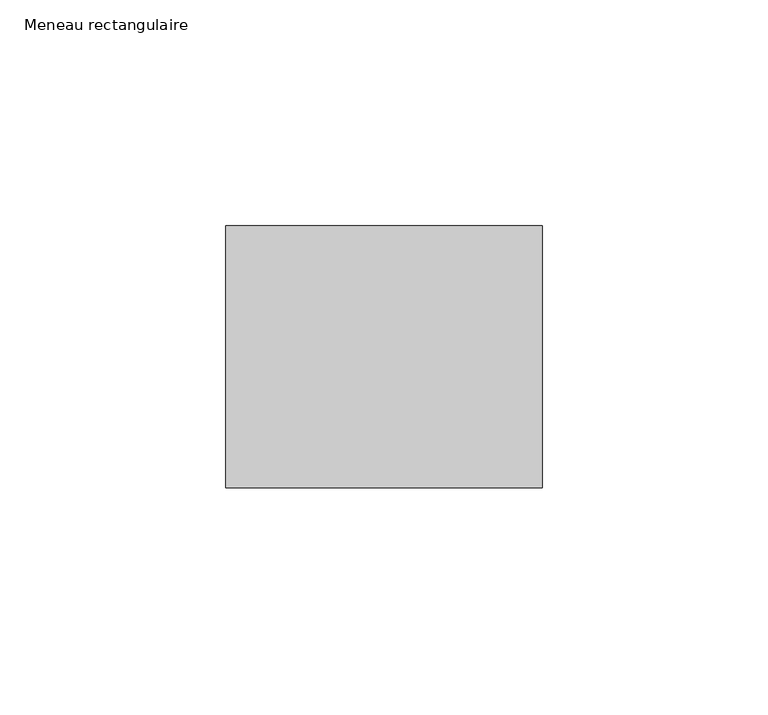
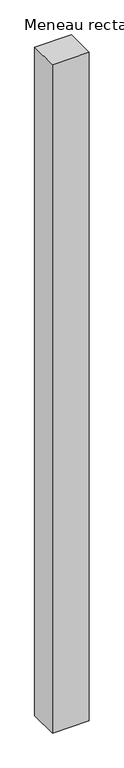
"""IFC4 building model written with IfcOpenShell, lengths in millimetres: member geometry, Meneau rectangulaire."""

from ifc_helpers import new_model, si_unit, frame, origin, place, context, project, spatial, polyline, outline, extrude, source, transform, mapped, element, save


def meneau_rectangulaire_51fb7dd9(model_context):
    return source(origin(), model_context, "Body", "SweptSolid", [
        extrude(outline(polyline([(0.0, 29.0), (0.0, -29.0), (-70.0, -29.0), (-70.0, 29.0), (0.0, 29.0)])), frame((0.0, 0.0, -1340.1666666), z_axis=(0.0, 0.0, 1.0), x_axis=(1.0, 0.0, 0.0)), (0.0, 0.0, 1.0), 1340.1666666),
    ])


if __name__ == "__main__":
    model = new_model("IFC4")
    model_context = context("Model", 3, world=origin())
    ifc_project = project(units=[si_unit("LENGTHUNIT", "METRE", prefix="MILLI")], contexts=[model_context])
    site = spatial("IfcSite", under=ifc_project)
    building = spatial("IfcBuilding", under=site)
    placement = place(None, origin())
    meneau_rectangulaire_shape = meneau_rectangulaire_51fb7dd9(model_context)
    element("IfcMember", 1, ObjectType="Meneau rectangulaire", at=placement, inside=building, context=model_context, shape_type="MappedRepresentation", body=[
        mapped(meneau_rectangulaire_shape, transform((0.0, 0.0, 0.0), x_axis=(1.0, 0.0, 0.0), y_axis=(0.0, 1.0, 0.0), z_axis=(0.0, 0.0, 1.0))),
    ])
    save(model, "model.ifc")
